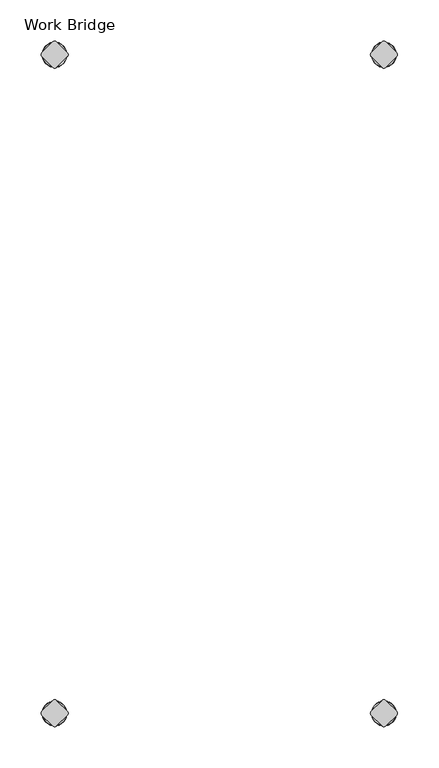
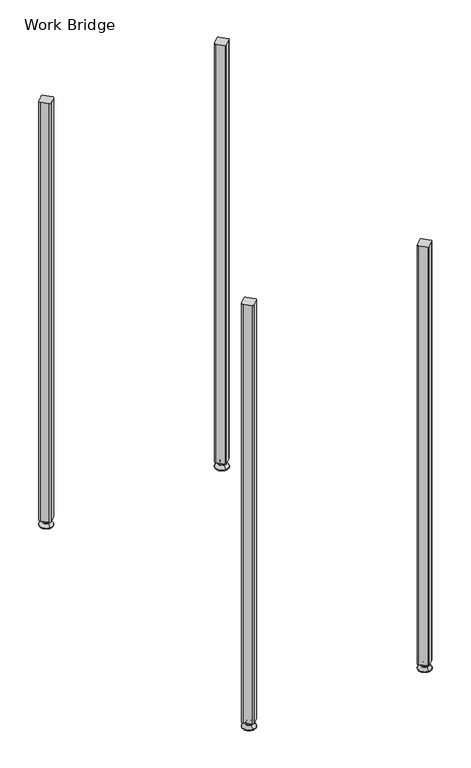
"""IFC4 building model written with IfcOpenShell, lengths in millimetres: furniture geometry, Work Bridge."""

from ifc_helpers import new_model, si_unit, point, frame, frame_2d, origin, place, context, project, spatial, polyline, circle_curve, ellipse_curve, trimmed, segment, composite_curve, outline, extrude, source, transform, mapped, element, save
from ifc_brep_helpers import plane_surface, cylinder_surface, revolved_surface, advanced_brep


def work_bridge_557c7685(model_context):
    return source(origin(), model_context, "Body", "SolidModel", [
        advanced_brep(
        [(421.0099415, -16.955341, 15.9766), (421.0099415, -24.954659, 15.9766), (421.0099415, -20.955, 15.9766), (421.0099415, -16.955341, 12.6000054), (421.0099415, -24.954659, 12.6000054), (421.0099415, -15.0948545, 12.6000054), (421.0099415, -26.8151455, 12.6000054), (421.0099415, -14.4598538, 11.9650074), (421.0099415, -27.4501462, 11.9650074), (421.0099415, -14.4598538, 9.0000124), (421.0099415, -27.4501462, 9.0000124), (421.0099415, -12.2128024, 9.0000124), (421.0099415, -29.6971976, 9.0000124), (421.0099415, -6.2489923, 2.3275608), (421.0099415, -35.6610077, 2.3275608), (421.0099415, -7.290399, 0.0), (421.0099415, -34.619601, 0.0), (421.0099415, -20.955, 0.0)],
        [
            (0, 1, circle_curve(frame((421.0099415, -20.955, 15.9766), z_axis=(0.0, 0.0, 1.0), x_axis=(0.0, -1.0, 0.0)), 3.999659)),
            (1, 2),
            (2, 0),
            (1, 0, circle_curve(frame((421.0099415, -20.955, 15.9766), z_axis=(0.0, 0.0, 1.0), x_axis=(0.0, -1.0, 0.0)), 3.999659)),
            (3, 4, circle_curve(frame((421.0099415, -20.955, 12.6000054), z_axis=(0.0, 0.0, 1.0), x_axis=(0.0, -1.0, 0.0)), 3.999659)),
            (4, 1),
            (0, 3),
            (4, 3, circle_curve(frame((421.0099415, -20.955, 12.6000054), z_axis=(0.0, 0.0, 1.0), x_axis=(0.0, -1.0, 0.0)), 3.999659)),
            (5, 6, circle_curve(frame((421.0099415, -20.955, 12.6000054), z_axis=(0.0, 0.0, 1.0), x_axis=(0.0, -1.0, 0.0)), 5.8601455)),
            (6, 4),
            (3, 5),
            (6, 5, circle_curve(frame((421.0099415, -20.955, 12.6000054), z_axis=(0.0, 0.0, 1.0), x_axis=(0.0, -1.0, 0.0)), 5.8601455)),
            (7, 8, circle_curve(frame((421.0099415, -20.955, 11.9650074), z_axis=(0.0, 0.0, 1.0), x_axis=(0.0, -1.0, 0.0)), 6.4951462)),
            (8, 6, circle_curve(frame((421.0099415, -26.8151462, 11.9650074), z_axis=(-1.0, 0.0, 0.0), x_axis=(0.0, -1.0, 0.0)), 0.635)),
            (5, 7, circle_curve(frame((421.0099415, -15.0948538, 11.9650074), z_axis=(-1.0, 0.0, 0.0), x_axis=(0.0, 1.0, 0.0)), 0.635)),
            (8, 7, circle_curve(frame((421.0099415, -20.955, 11.9650074), z_axis=(0.0, 0.0, 1.0), x_axis=(0.0, -1.0, 0.0)), 6.4951462)),
            (9, 10, circle_curve(frame((421.0099415, -20.955, 9.0000124), z_axis=(0.0, 0.0, 1.0), x_axis=(0.0, -1.0, 0.0)), 6.4951462)),
            (10, 8),
            (7, 9),
            (10, 9, circle_curve(frame((421.0099415, -20.955, 9.0000124), z_axis=(0.0, 0.0, 1.0), x_axis=(0.0, -1.0, 0.0)), 6.4951462)),
            (11, 12, circle_curve(frame((421.0099415, -20.955, 9.0000124), z_axis=(0.0, 0.0, 1.0), x_axis=(0.0, -1.0, 0.0)), 8.7421976)),
            (12, 10),
            (9, 11),
            (12, 11, circle_curve(frame((421.0099415, -20.955, 9.0000124), z_axis=(0.0, 0.0, 1.0), x_axis=(0.0, -1.0, 0.0)), 8.7421976)),
            (13, 14, circle_curve(frame((421.0099415, -20.955, 2.3275608), z_axis=(0.0, 0.0, 1.0), x_axis=(0.0, -1.0, 0.0)), 14.7060077)),
            (14, 12),
            (11, 13),
            (14, 13, circle_curve(frame((421.0099415, -20.955, 2.3275608), z_axis=(0.0, 0.0, 1.0), x_axis=(0.0, -1.0, 0.0)), 14.7060077)),
            (15, 16, circle_curve(frame((421.0099415, -20.955, 0.0), z_axis=(0.0, 0.0, 1.0), x_axis=(0.0, -1.0, 0.0)), 13.664601)),
            (16, 14, circle_curve(frame((421.0099415, -34.619601, 1.3967556), z_axis=(-1.0, 0.0, 0.0), x_axis=(0.0, -1.0, 0.0)), 1.3967556)),
            (13, 15, circle_curve(frame((421.0099415, -7.290399, 1.3967556), z_axis=(-1.0, 0.0, 0.0), x_axis=(0.0, 1.0, 0.0)), 1.3967556)),
            (16, 15, circle_curve(frame((421.0099415, -20.955, 0.0), z_axis=(0.0, 0.0, 1.0), x_axis=(0.0, -1.0, 0.0)), 13.664601)),
            (17, 16),
            (15, 17),
        ],
        [
            plane_surface(frame((421.0099415, -20.955, 15.9766), z_axis=(0.0, 0.0, 1.0), x_axis=(0.0, -1.0, 0.0))),
            cylinder_surface(frame((421.0099415, -20.955, -4.132372), z_axis=(0.0, 0.0, -1.0), x_axis=(0.0, -1.0, 0.0)), 3.999659),
            plane_surface(frame((421.0099415, -20.955, 12.6000054), z_axis=(0.0, 0.0, 1.0), x_axis=(0.0, -1.0, 0.0))),
            revolved_surface(trimmed(ellipse_curve(frame((421.0099415, -26.8151462, 11.9650074), z_axis=(1.0, 0.0, 0.0), x_axis=(0.0, -1.0, 0.0)), 0.635, 0.635), [point((421.0099415, -26.8151455, 12.6000074))], [point((421.0099415, -27.4501462, 11.9650074))], True, "CARTESIAN"), (421.0099415, -20.955, -4.132372), (0.0, 0.0, -1.0)),
            cylinder_surface(frame((421.0099415, -20.955, -4.132372), z_axis=(0.0, 0.0, -1.0), x_axis=(0.0, -1.0, 0.0)), 6.4951462),
            plane_surface(frame((421.0099415, -20.955, 9.0000124), z_axis=(0.0, 0.0, 1.0), x_axis=(0.0, -1.0, 0.0))),
            revolved_surface(polyline([(421.0099415, -29.6971976, 9.0000124), (421.0099415, -35.6610077, 2.3275608)]), (421.0099415, -20.955, -4.132372), (0.0, 0.0, -1.0)),
            revolved_surface(trimmed(ellipse_curve(frame((421.0099415, -34.619601, 1.3967556), z_axis=(1.0, 0.0, 0.0), x_axis=(0.0, -1.0, 0.0)), 1.3967556, 1.3967556), [point((421.0099415, -35.6610077, 2.3275608))], [point((421.0099415, -34.619601, 0.0))], True, "CARTESIAN"), (421.0099415, -20.955, -4.132372), (0.0, 0.0, -1.0)),
            plane_surface(frame((421.0099415, -20.955, 0.0), z_axis=(0.0, 0.0, -1.0), x_axis=(0.0, -1.0, 0.0))),
        ],
        [
            (0, [[1, 2, 3]]),
            (0, [[4, -3, -2]]),
            (1, [[5, 6, -1, 7]]),
            (1, [[8, -7, -4, -6]]),
            (2, [[9, 10, -5, 11]]),
            (2, [[12, -11, -8, -10]]),
            (3, [[13, 14, -9, 15]]),
            (3, [[16, -15, -12, -14]]),
            (4, [[17, 18, -13, 19]]),
            (4, [[20, -19, -16, -18]]),
            (5, [[21, 22, -17, 23]]),
            (5, [[24, -23, -20, -22]]),
            (6, [[25, 26, -21, 27]]),
            (6, [[28, -27, -24, -26]]),
            (7, [[29, 30, -25, 31]]),
            (7, [[32, -31, -28, -30]]),
            (8, [[33, -29, 34]]),
            (8, [[-34, -32, -33]]),
        ],
    ),
        advanced_brep(
        [(421.0099415, -821.055, 15.9766), (421.0099415, -817.055341, 15.9766), (421.0099415, -825.054659, 15.9766), (421.0099415, -817.055341, 12.6000054), (421.0099415, -825.054659, 12.6000054), (421.0099415, -815.1948545, 12.6000074), (421.0099415, -826.9151455, 12.6000074), (421.0099415, -814.5598538, 11.9650074), (421.0099415, -827.5501462, 11.9650074), (421.0099415, -814.5598538, 9.0000124), (421.0099415, -827.5501462, 9.0000124), (421.0099415, -812.3128024, 9.0000124), (421.0099415, -829.7971976, 9.0000124), (421.0099415, -806.3489923, 2.3275608), (421.0099415, -835.7610077, 2.3275608), (421.0099415, -807.390399, 0.0), (421.0099415, -834.719601, 0.0), (421.0099415, -821.055, 0.0)],
        [
            (0, 1),
            (1, 2, circle_curve(frame((421.0099415, -821.055, 15.9766), z_axis=(0.0, 0.0, 1.0), x_axis=(0.0, 1.0, 0.0)), 3.999659)),
            (2, 0),
            (2, 1, circle_curve(frame((421.0099415, -821.055, 15.9766), z_axis=(0.0, 0.0, 1.0), x_axis=(0.0, 1.0, 0.0)), 3.999659)),
            (1, 3),
            (3, 4, circle_curve(frame((421.0099415, -821.055, 12.6000054), z_axis=(0.0, 0.0, 1.0), x_axis=(0.0, 1.0, 0.0)), 3.999659)),
            (4, 2),
            (4, 3, circle_curve(frame((421.0099415, -821.055, 12.6000054), z_axis=(0.0, 0.0, 1.0), x_axis=(0.0, 1.0, 0.0)), 3.999659)),
            (3, 5),
            (5, 6, circle_curve(frame((421.0099415, -821.055, 12.6000074), z_axis=(0.0, 0.0, 1.0), x_axis=(0.0, 1.0, 0.0)), 5.8601455)),
            (6, 4),
            (6, 5, circle_curve(frame((421.0099415, -821.055, 12.6000074), z_axis=(0.0, 0.0, 1.0), x_axis=(0.0, 1.0, 0.0)), 5.8601455)),
            (5, 7, circle_curve(frame((421.0099415, -815.1948538, 11.9650074), z_axis=(-1.0, 0.0, 0.0), x_axis=(0.0, 1.0, 0.0)), 0.635)),
            (7, 8, circle_curve(frame((421.0099415, -821.055, 11.9650074), z_axis=(0.0, 0.0, 1.0), x_axis=(0.0, 1.0, 0.0)), 6.4951462)),
            (8, 6, circle_curve(frame((421.0099415, -826.9151462, 11.9650074), z_axis=(-1.0, 0.0, 0.0), x_axis=(0.0, -1.0, 0.0)), 0.635)),
            (8, 7, circle_curve(frame((421.0099415, -821.055, 11.9650074), z_axis=(0.0, 0.0, 1.0), x_axis=(0.0, 1.0, 0.0)), 6.4951462)),
            (7, 9),
            (9, 10, circle_curve(frame((421.0099415, -821.055, 9.0000124), z_axis=(0.0, 0.0, 1.0), x_axis=(0.0, 1.0, 0.0)), 6.4951462)),
            (10, 8),
            (10, 9, circle_curve(frame((421.0099415, -821.055, 9.0000124), z_axis=(0.0, 0.0, 1.0), x_axis=(0.0, 1.0, 0.0)), 6.4951462)),
            (9, 11),
            (11, 12, circle_curve(frame((421.0099415, -821.055, 9.0000124), z_axis=(0.0, 0.0, 1.0), x_axis=(0.0, 1.0, 0.0)), 8.7421976)),
            (12, 10),
            (12, 11, circle_curve(frame((421.0099415, -821.055, 9.0000124), z_axis=(0.0, 0.0, 1.0), x_axis=(0.0, 1.0, 0.0)), 8.7421976)),
            (11, 13),
            (13, 14, circle_curve(frame((421.0099415, -821.055, 2.3275608), z_axis=(0.0, 0.0, 1.0), x_axis=(0.0, 1.0, 0.0)), 14.7060077)),
            (14, 12),
            (14, 13, circle_curve(frame((421.0099415, -821.055, 2.3275608), z_axis=(0.0, 0.0, 1.0), x_axis=(0.0, 1.0, 0.0)), 14.7060077)),
            (13, 15, circle_curve(frame((421.0099415, -807.390399, 1.3967556), z_axis=(-1.0, 0.0, 0.0), x_axis=(0.0, 1.0, 0.0)), 1.3967556)),
            (15, 16, circle_curve(frame((421.0099415, -821.055, 0.0), z_axis=(0.0, 0.0, 1.0), x_axis=(0.0, 1.0, 0.0)), 13.664601)),
            (16, 14, circle_curve(frame((421.0099415, -834.719601, 1.3967556), z_axis=(-1.0, 0.0, 0.0), x_axis=(0.0, -1.0, 0.0)), 1.3967556)),
            (16, 15, circle_curve(frame((421.0099415, -821.055, 0.0), z_axis=(0.0, 0.0, 1.0), x_axis=(0.0, 1.0, 0.0)), 13.664601)),
            (15, 17),
            (17, 16),
        ],
        [
            plane_surface(frame((421.0099415, -821.055, 15.9766), z_axis=(0.0, 0.0, 1.0), x_axis=(0.0, 1.0, 0.0))),
            cylinder_surface(frame((421.0099415, -821.055, -4.132372), z_axis=(0.0, 0.0, 1.0), x_axis=(0.0, 1.0, 0.0)), 3.999659),
            plane_surface(frame((421.0099415, -821.055, 12.6000074), z_axis=(0.0, 0.0, 1.0), x_axis=(0.0, 1.0, 0.0))),
            revolved_surface(trimmed(ellipse_curve(frame((421.0099415, -815.1948538, 11.9650074), z_axis=(1.0, 0.0, 0.0), x_axis=(0.0, 1.0, 0.0)), 0.635, 0.635), [point((421.0099415, -814.5598538, 11.9650074))], [point((421.0099415, -815.1948545, 12.6000074))], True, "CARTESIAN"), (421.0099415, -821.055, -4.132372), (0.0, 0.0, 1.0)),
            cylinder_surface(frame((421.0099415, -821.055, -4.132372), z_axis=(0.0, 0.0, 1.0), x_axis=(0.0, 1.0, 0.0)), 6.4951462),
            plane_surface(frame((421.0099415, -821.055, 9.0000124), z_axis=(0.0, 0.0, 1.0), x_axis=(0.0, 1.0, 0.0))),
            revolved_surface(polyline([(421.0099415, -806.3489923, 2.3275608), (421.0099415, -812.3128024, 9.0000124)]), (421.0099415, -821.055, -4.132372), (0.0, 0.0, 1.0)),
            revolved_surface(trimmed(ellipse_curve(frame((421.0099415, -807.390399, 1.3967556), z_axis=(1.0, 0.0, 0.0), x_axis=(0.0, 1.0, 0.0)), 1.3967556, 1.3967556), [point((421.0099415, -807.390399, 0.0))], [point((421.0099415, -806.3489923, 2.3275608))], True, "CARTESIAN"), (421.0099415, -821.055, -4.132372), (0.0, 0.0, 1.0)),
            plane_surface(frame((421.0099415, -821.055, 0.0), z_axis=(0.0, 0.0, -1.0), x_axis=(0.0, 1.0, 0.0))),
        ],
        [
            (0, [[1, 2, 3]]),
            (0, [[-3, 4, -1]]),
            (1, [[-2, 5, 6, 7]]),
            (1, [[-4, -7, 8, -5]]),
            (2, [[-6, 9, 10, 11]]),
            (2, [[-8, -11, 12, -9]]),
            (3, [[-10, 13, 14, 15]]),
            (3, [[-12, -15, 16, -13]]),
            (4, [[-14, 17, 18, 19]]),
            (4, [[-16, -19, 20, -17]]),
            (5, [[-18, 21, 22, 23]]),
            (5, [[-20, -23, 24, -21]]),
            (6, [[-22, 25, 26, 27]]),
            (6, [[-24, -27, 28, -25]]),
            (7, [[-26, 29, 30, 31]]),
            (7, [[-28, -31, 32, -29]]),
            (8, [[-30, 33, 34]]),
            (8, [[-32, -34, -33]]),
        ],
    ),
        advanced_brep(
        [(20.9599415, -821.055, 15.9766), (20.9599415, -817.055341, 15.9766), (20.9599415, -825.054659, 15.9766), (20.9599415, -817.055341, 12.6000054), (20.9599415, -825.054659, 12.6000054), (20.9599415, -815.1948545, 12.6000074), (20.9599415, -826.9151455, 12.6000074), (20.9599415, -814.5598538, 11.9650074), (20.9599415, -827.5501462, 11.9650074), (20.9599415, -814.5598538, 9.0000124), (20.9599415, -827.5501462, 9.0000124), (20.9599415, -812.3128024, 9.0000124), (20.9599415, -829.7971976, 9.0000124), (20.9599415, -806.3489923, 2.3275608), (20.9599415, -835.7610077, 2.3275608), (20.9599415, -807.390399, 0.0), (20.9599415, -834.719601, 0.0), (20.9599415, -821.055, 0.0)],
        [
            (0, 1),
            (1, 2, circle_curve(frame((20.9599415, -821.055, 15.9766), z_axis=(0.0, 0.0, 1.0), x_axis=(0.0, 1.0, 0.0)), 3.999659)),
            (2, 0),
            (2, 1, circle_curve(frame((20.9599415, -821.055, 15.9766), z_axis=(0.0, 0.0, 1.0), x_axis=(0.0, 1.0, 0.0)), 3.999659)),
            (1, 3),
            (3, 4, circle_curve(frame((20.9599415, -821.055, 12.6000054), z_axis=(0.0, 0.0, 1.0), x_axis=(0.0, 1.0, 0.0)), 3.999659)),
            (4, 2),
            (4, 3, circle_curve(frame((20.9599415, -821.055, 12.6000054), z_axis=(0.0, 0.0, 1.0), x_axis=(0.0, 1.0, 0.0)), 3.999659)),
            (3, 5),
            (5, 6, circle_curve(frame((20.9599415, -821.055, 12.6000074), z_axis=(0.0, 0.0, 1.0), x_axis=(0.0, 1.0, 0.0)), 5.8601455)),
            (6, 4),
            (6, 5, circle_curve(frame((20.9599415, -821.055, 12.6000074), z_axis=(0.0, 0.0, 1.0), x_axis=(0.0, 1.0, 0.0)), 5.8601455)),
            (5, 7, circle_curve(frame((20.9599415, -815.1948538, 11.9650074), z_axis=(-1.0, 0.0, 0.0), x_axis=(0.0, -1.0, 0.0)), 0.635)),
            (7, 8, circle_curve(frame((20.9599415, -821.055, 11.9650074), z_axis=(0.0, 0.0, 1.0), x_axis=(0.0, 1.0, 0.0)), 6.4951462)),
            (8, 6, circle_curve(frame((20.9599415, -826.9151462, 11.9650074), z_axis=(-1.0, 0.0, 0.0), x_axis=(0.0, 1.0, 0.0)), 0.635)),
            (8, 7, circle_curve(frame((20.9599415, -821.055, 11.9650074), z_axis=(0.0, 0.0, 1.0), x_axis=(0.0, 1.0, 0.0)), 6.4951462)),
            (7, 9),
            (9, 10, circle_curve(frame((20.9599415, -821.055, 9.0000124), z_axis=(0.0, 0.0, 1.0), x_axis=(0.0, 1.0, 0.0)), 6.4951462)),
            (10, 8),
            (10, 9, circle_curve(frame((20.9599415, -821.055, 9.0000124), z_axis=(0.0, 0.0, 1.0), x_axis=(0.0, 1.0, 0.0)), 6.4951462)),
            (9, 11),
            (11, 12, circle_curve(frame((20.9599415, -821.055, 9.0000124), z_axis=(0.0, 0.0, 1.0), x_axis=(0.0, 1.0, 0.0)), 8.7421976)),
            (12, 10),
            (12, 11, circle_curve(frame((20.9599415, -821.055, 9.0000124), z_axis=(0.0, 0.0, 1.0), x_axis=(0.0, 1.0, 0.0)), 8.7421976)),
            (11, 13),
            (13, 14, circle_curve(frame((20.9599415, -821.055, 2.3275608), z_axis=(0.0, 0.0, 1.0), x_axis=(0.0, 1.0, 0.0)), 14.7060077)),
            (14, 12),
            (14, 13, circle_curve(frame((20.9599415, -821.055, 2.3275608), z_axis=(0.0, 0.0, 1.0), x_axis=(0.0, 1.0, 0.0)), 14.7060077)),
            (13, 15, circle_curve(frame((20.9599415, -807.390399, 1.3967556), z_axis=(-1.0, 0.0, 0.0), x_axis=(0.0, -1.0, 0.0)), 1.3967556)),
            (15, 16, circle_curve(frame((20.9599415, -821.055, 0.0), z_axis=(0.0, 0.0, 1.0), x_axis=(0.0, 1.0, 0.0)), 13.664601)),
            (16, 14, circle_curve(frame((20.9599415, -834.719601, 1.3967556), z_axis=(-1.0, 0.0, 0.0), x_axis=(0.0, 1.0, 0.0)), 1.3967556)),
            (16, 15, circle_curve(frame((20.9599415, -821.055, 0.0), z_axis=(0.0, 0.0, 1.0), x_axis=(0.0, 1.0, 0.0)), 13.664601)),
            (15, 17),
            (17, 16),
        ],
        [
            plane_surface(frame((20.9599415, -821.055, 15.9766), z_axis=(0.0, 0.0, 1.0), x_axis=(0.0, 1.0, 0.0))),
            cylinder_surface(frame((20.9599415, -821.055, -4.132372), z_axis=(0.0, 0.0, 1.0), x_axis=(0.0, 1.0, 0.0)), 3.999659),
            plane_surface(frame((20.9599415, -821.055, 12.6000074), z_axis=(0.0, 0.0, 1.0), x_axis=(0.0, 1.0, 0.0))),
            revolved_surface(trimmed(ellipse_curve(frame((20.9599415, -815.1948538, 11.9650074), z_axis=(1.0, 0.0, 0.0), x_axis=(0.0, -1.0, 0.0)), 0.635, 0.635), [point((20.9599415, -814.5598538, 11.9650074))], [point((20.9599415, -815.1948545, 12.6000074))], True, "CARTESIAN"), (20.9599415, -821.055, -4.132372), (0.0, 0.0, 1.0)),
            cylinder_surface(frame((20.9599415, -821.055, -4.132372), z_axis=(0.0, 0.0, 1.0), x_axis=(0.0, 1.0, 0.0)), 6.4951462),
            plane_surface(frame((20.9599415, -821.055, 9.0000124), z_axis=(0.0, 0.0, 1.0), x_axis=(0.0, 1.0, 0.0))),
            revolved_surface(polyline([(20.9599415, -806.3489923, 2.3275608), (20.9599415, -812.3128024, 9.0000124)]), (20.9599415, -821.055, -4.132372), (0.0, 0.0, 1.0)),
            revolved_surface(trimmed(ellipse_curve(frame((20.9599415, -807.390399, 1.3967556), z_axis=(1.0, 0.0, 0.0), x_axis=(0.0, -1.0, 0.0)), 1.3967556, 1.3967556), [point((20.9599415, -807.390399, 0.0))], [point((20.9599415, -806.3489923, 2.3275608))], True, "CARTESIAN"), (20.9599415, -821.055, -4.132372), (0.0, 0.0, 1.0)),
            plane_surface(frame((20.9599415, -821.055, 0.0), z_axis=(0.0, 0.0, -1.0), x_axis=(0.0, 1.0, 0.0))),
        ],
        [
            (0, [[1, 2, 3]]),
            (0, [[-3, 4, -1]]),
            (1, [[-2, 5, 6, 7]]),
            (1, [[-4, -7, 8, -5]]),
            (2, [[-6, 9, 10, 11]]),
            (2, [[-8, -11, 12, -9]]),
            (3, [[-10, 13, 14, 15]]),
            (3, [[-12, -15, 16, -13]]),
            (4, [[-14, 17, 18, 19]]),
            (4, [[-16, -19, 20, -17]]),
            (5, [[-18, 21, 22, 23]]),
            (5, [[-20, -23, 24, -21]]),
            (6, [[-22, 25, 26, 27]]),
            (6, [[-24, -27, 28, -25]]),
            (7, [[-26, 29, 30, 31]]),
            (7, [[-28, -31, 32, -29]]),
            (8, [[-30, 33, 34]]),
            (8, [[-32, -34, -33]]),
        ],
    ),
        advanced_brep(
        [(20.9599415, -16.955341, 15.9766), (20.9599415, -24.954659, 15.9766), (20.9599415, -20.955, 15.9766), (20.9599415, -16.955341, 12.6000054), (20.9599415, -24.954659, 12.6000054), (20.9599415, -15.0948545, 12.6000054), (20.9599415, -26.8151455, 12.6000054), (20.9599415, -14.4598538, 11.9650074), (20.9599415, -27.4501462, 11.9650074), (20.9599415, -14.4598538, 9.0000124), (20.9599415, -27.4501462, 9.0000124), (20.9599415, -12.2128024, 9.0000124), (20.9599415, -29.6971976, 9.0000124), (20.9599415, -6.2489923, 2.3275608), (20.9599415, -35.6610077, 2.3275608), (20.9599415, -7.290399, 0.0), (20.9599415, -34.619601, 0.0), (20.9599415, -20.955, 0.0)],
        [
            (0, 1, circle_curve(frame((20.9599415, -20.955, 15.9766), z_axis=(0.0, 0.0, 1.0), x_axis=(0.0, -1.0, 0.0)), 3.999659)),
            (1, 2),
            (2, 0),
            (1, 0, circle_curve(frame((20.9599415, -20.955, 15.9766), z_axis=(0.0, 0.0, 1.0), x_axis=(0.0, -1.0, 0.0)), 3.999659)),
            (3, 4, circle_curve(frame((20.9599415, -20.955, 12.6000054), z_axis=(0.0, 0.0, 1.0), x_axis=(0.0, -1.0, 0.0)), 3.999659)),
            (4, 1),
            (0, 3),
            (4, 3, circle_curve(frame((20.9599415, -20.955, 12.6000054), z_axis=(0.0, 0.0, 1.0), x_axis=(0.0, -1.0, 0.0)), 3.999659)),
            (5, 6, circle_curve(frame((20.9599415, -20.955, 12.6000054), z_axis=(0.0, 0.0, 1.0), x_axis=(0.0, -1.0, 0.0)), 5.8601455)),
            (6, 4),
            (3, 5),
            (6, 5, circle_curve(frame((20.9599415, -20.955, 12.6000054), z_axis=(0.0, 0.0, 1.0), x_axis=(0.0, -1.0, 0.0)), 5.8601455)),
            (7, 8, circle_curve(frame((20.9599415, -20.955, 11.9650074), z_axis=(0.0, 0.0, 1.0), x_axis=(0.0, -1.0, 0.0)), 6.4951462)),
            (8, 6, circle_curve(frame((20.9599415, -26.8151462, 11.9650074), z_axis=(-1.0, 0.0, 0.0), x_axis=(0.0, 1.0, 0.0)), 0.635)),
            (5, 7, circle_curve(frame((20.9599415, -15.0948538, 11.9650074), z_axis=(-1.0, 0.0, 0.0), x_axis=(0.0, -1.0, 0.0)), 0.635)),
            (8, 7, circle_curve(frame((20.9599415, -20.955, 11.9650074), z_axis=(0.0, 0.0, 1.0), x_axis=(0.0, -1.0, 0.0)), 6.4951462)),
            (9, 10, circle_curve(frame((20.9599415, -20.955, 9.0000124), z_axis=(0.0, 0.0, 1.0), x_axis=(0.0, -1.0, 0.0)), 6.4951462)),
            (10, 8),
            (7, 9),
            (10, 9, circle_curve(frame((20.9599415, -20.955, 9.0000124), z_axis=(0.0, 0.0, 1.0), x_axis=(0.0, -1.0, 0.0)), 6.4951462)),
            (11, 12, circle_curve(frame((20.9599415, -20.955, 9.0000124), z_axis=(0.0, 0.0, 1.0), x_axis=(0.0, -1.0, 0.0)), 8.7421976)),
            (12, 10),
            (9, 11),
            (12, 11, circle_curve(frame((20.9599415, -20.955, 9.0000124), z_axis=(0.0, 0.0, 1.0), x_axis=(0.0, -1.0, 0.0)), 8.7421976)),
            (13, 14, circle_curve(frame((20.9599415, -20.955, 2.3275608), z_axis=(0.0, 0.0, 1.0), x_axis=(0.0, -1.0, 0.0)), 14.7060077)),
            (14, 12),
            (11, 13),
            (14, 13, circle_curve(frame((20.9599415, -20.955, 2.3275608), z_axis=(0.0, 0.0, 1.0), x_axis=(0.0, -1.0, 0.0)), 14.7060077)),
            (15, 16, circle_curve(frame((20.9599415, -20.955, 0.0), z_axis=(0.0, 0.0, 1.0), x_axis=(0.0, -1.0, 0.0)), 13.664601)),
            (16, 14, circle_curve(frame((20.9599415, -34.619601, 1.3967556), z_axis=(-1.0, 0.0, 0.0), x_axis=(0.0, 1.0, 0.0)), 1.3967556)),
            (13, 15, circle_curve(frame((20.9599415, -7.290399, 1.3967556), z_axis=(-1.0, 0.0, 0.0), x_axis=(0.0, -1.0, 0.0)), 1.3967556)),
            (16, 15, circle_curve(frame((20.9599415, -20.955, 0.0), z_axis=(0.0, 0.0, 1.0), x_axis=(0.0, -1.0, 0.0)), 13.664601)),
            (17, 16),
            (15, 17),
        ],
        [
            plane_surface(frame((20.9599415, -20.955, 15.9766), z_axis=(0.0, 0.0, 1.0), x_axis=(0.0, -1.0, 0.0))),
            cylinder_surface(frame((20.9599415, -20.955, -4.132372), z_axis=(0.0, 0.0, -1.0), x_axis=(0.0, -1.0, 0.0)), 3.999659),
            plane_surface(frame((20.9599415, -20.955, 12.6000054), z_axis=(0.0, 0.0, 1.0), x_axis=(0.0, -1.0, 0.0))),
            revolved_surface(trimmed(ellipse_curve(frame((20.9599415, -26.8151462, 11.9650074), z_axis=(1.0, 0.0, 0.0), x_axis=(0.0, 1.0, 0.0)), 0.635, 0.635), [point((20.9599415, -26.8151455, 12.6000074))], [point((20.9599415, -27.4501462, 11.9650074))], True, "CARTESIAN"), (20.9599415, -20.955, -4.132372), (0.0, 0.0, -1.0)),
            cylinder_surface(frame((20.9599415, -20.955, -4.132372), z_axis=(0.0, 0.0, -1.0), x_axis=(0.0, -1.0, 0.0)), 6.4951462),
            plane_surface(frame((20.9599415, -20.955, 9.0000124), z_axis=(0.0, 0.0, 1.0), x_axis=(0.0, -1.0, 0.0))),
            revolved_surface(polyline([(20.9599415, -29.6971976, 9.0000124), (20.9599415, -35.6610077, 2.3275608)]), (20.9599415, -20.955, -4.132372), (0.0, 0.0, -1.0)),
            revolved_surface(trimmed(ellipse_curve(frame((20.9599415, -34.619601, 1.3967556), z_axis=(1.0, 0.0, 0.0), x_axis=(0.0, 1.0, 0.0)), 1.3967556, 1.3967556), [point((20.9599415, -35.6610077, 2.3275608))], [point((20.9599415, -34.619601, 0.0))], True, "CARTESIAN"), (20.9599415, -20.955, -4.132372), (0.0, 0.0, -1.0)),
            plane_surface(frame((20.9599415, -20.955, 0.0), z_axis=(0.0, 0.0, -1.0), x_axis=(0.0, -1.0, 0.0))),
        ],
        [
            (0, [[1, 2, 3]]),
            (0, [[4, -3, -2]]),
            (1, [[5, 6, -1, 7]]),
            (1, [[8, -7, -4, -6]]),
            (2, [[9, 10, -5, 11]]),
            (2, [[12, -11, -8, -10]]),
            (3, [[13, 14, -9, 15]]),
            (3, [[16, -15, -12, -14]]),
            (4, [[17, 18, -13, 19]]),
            (4, [[20, -19, -16, -18]]),
            (5, [[21, 22, -17, 23]]),
            (5, [[24, -23, -20, -22]]),
            (6, [[25, 26, -21, 27]]),
            (6, [[28, -27, -24, -26]]),
            (7, [[29, 30, -25, 31]]),
            (7, [[32, -31, -28, -30]]),
            (8, [[33, -29, 34]]),
            (8, [[-34, -32, -33]]),
        ],
    ),
        extrude(outline(composite_curve([segment(polyline([(18.7148774, -36.3876055), (5.527336, -23.200064)]), True, "CONTINUOUS"), segment(trimmed(circle_curve(frame_2d((7.7724, -20.955)), 3.175), [point((5.527336, -23.200064))], [point((5.527336, -18.709936))], False, "CARTESIAN"), True, "CONTINUOUS"), segment(polyline([(5.527336, -18.709936), (18.7148774, -5.5223945)]), True, "CONTINUOUS"), segment(trimmed(circle_curve(frame_2d((20.9599415, -7.7674585)), 3.175), [point((18.7148774, -5.5223945))], [point((23.2050055, -5.5223945))], False, "CARTESIAN"), True, "CONTINUOUS"), segment(polyline([(23.2050055, -5.5223945), (36.392547, -18.709936)]), True, "CONTINUOUS"), segment(trimmed(circle_curve(frame_2d((34.1474829, -20.955)), 3.175), [point((36.392547, -18.709936))], [point((36.392547, -23.200064))], False, "CARTESIAN"), True, "CONTINUOUS"), segment(polyline([(36.392547, -23.200064), (23.2050055, -36.3876055)]), True, "CONTINUOUS"), segment(trimmed(circle_curve(frame_2d((20.9599415, -34.1425415)), 3.175), [point((23.2050055, -36.3876055))], [point((18.7148774, -36.3876055))], False, "CARTESIAN"), True, "CONTINUOUS")], self_intersect=False)), frame((0.0, 0.0, 15.9766), z_axis=(0.0, 0.0, 1.0), x_axis=(1.0, 0.0, 0.0)), (0.0, 0.0, 1.0), 1006.983),
        extrude(outline(composite_curve([segment(trimmed(circle_curve(frame_2d((421.0099415, -34.1425415)), 3.175), [point((423.2550055, -36.3876055))], [point((418.7648774, -36.3876055))], False, "CARTESIAN"), True, "CONTINUOUS"), segment(polyline([(418.7648774, -36.3876055), (405.577336, -23.200064)]), True, "CONTINUOUS"), segment(trimmed(circle_curve(frame_2d((407.8224, -20.955)), 3.175), [point((405.577336, -23.200064))], [point((405.577336, -18.709936))], False, "CARTESIAN"), True, "CONTINUOUS"), segment(polyline([(405.577336, -18.709936), (418.7648774, -5.5223945)]), True, "CONTINUOUS"), segment(trimmed(circle_curve(frame_2d((421.0099415, -7.7674585)), 3.175), [point((418.7648774, -5.5223945))], [point((423.2550055, -5.5223945))], False, "CARTESIAN"), True, "CONTINUOUS"), segment(polyline([(423.2550055, -5.5223945), (436.442547, -18.709936)]), True, "CONTINUOUS"), segment(trimmed(circle_curve(frame_2d((434.1974829, -20.955)), 3.175), [point((436.442547, -18.709936))], [point((436.442547, -23.200064))], False, "CARTESIAN"), True, "CONTINUOUS"), segment(polyline([(436.442547, -23.200064), (423.2550055, -36.3876055)]), True, "CONTINUOUS")], self_intersect=False)), frame((0.0, 0.0, 15.9766), z_axis=(0.0, 0.0, 1.0), x_axis=(1.0, 0.0, 0.0)), (0.0, 0.0, 1.0), 1006.983),
        extrude(outline(composite_curve([segment(polyline([(423.2550055, -805.6223945), (436.442547, -818.809936)]), True, "CONTINUOUS"), segment(trimmed(circle_curve(frame_2d((434.1974829, -821.055)), 3.175), [point((436.442547, -818.809936))], [point((436.442547, -823.300064))], False, "CARTESIAN"), True, "CONTINUOUS"), segment(polyline([(436.442547, -823.300064), (423.2550055, -836.4876055)]), True, "CONTINUOUS"), segment(trimmed(circle_curve(frame_2d((421.0099415, -834.2425415)), 3.175), [point((423.2550055, -836.4876055))], [point((418.7648774, -836.4876055))], False, "CARTESIAN"), True, "CONTINUOUS"), segment(polyline([(418.7648774, -836.4876055), (405.577336, -823.300064)]), True, "CONTINUOUS"), segment(trimmed(circle_curve(frame_2d((407.8224, -821.055)), 3.175), [point((405.577336, -823.300064))], [point((405.577336, -818.809936))], False, "CARTESIAN"), True, "CONTINUOUS"), segment(polyline([(405.577336, -818.809936), (418.7648774, -805.6223945)]), True, "CONTINUOUS"), segment(trimmed(circle_curve(frame_2d((421.0099415, -807.8674585)), 3.175), [point((418.7648774, -805.6223945))], [point((423.2550055, -805.6223945))], False, "CARTESIAN"), True, "CONTINUOUS")], self_intersect=False)), frame((0.0, 0.0, 15.9766), z_axis=(0.0, 0.0, 1.0), x_axis=(1.0, 0.0, 0.0)), (0.0, 0.0, 1.0), 1006.983),
        extrude(outline(composite_curve([segment(trimmed(circle_curve(frame_2d((20.9599415, -807.8674585)), 3.175), [point((18.7148774, -805.6223945))], [point((23.2050055, -805.6223945))], False, "CARTESIAN"), True, "CONTINUOUS"), segment(polyline([(23.2050055, -805.6223945), (36.392547, -818.809936)]), True, "CONTINUOUS"), segment(trimmed(circle_curve(frame_2d((34.1474829, -821.055)), 3.175), [point((36.392547, -818.809936))], [point((36.392547, -823.300064))], False, "CARTESIAN"), True, "CONTINUOUS"), segment(polyline([(36.392547, -823.300064), (23.2050055, -836.4876055)]), True, "CONTINUOUS"), segment(trimmed(circle_curve(frame_2d((20.9599415, -834.2425415)), 3.175), [point((23.2050055, -836.4876055))], [point((18.7148774, -836.4876055))], False, "CARTESIAN"), True, "CONTINUOUS"), segment(polyline([(18.7148774, -836.4876055), (5.527336, -823.300064)]), True, "CONTINUOUS"), segment(trimmed(circle_curve(frame_2d((7.7724, -821.055)), 3.175), [point((5.527336, -823.300064))], [point((5.527336, -818.809936))], False, "CARTESIAN"), True, "CONTINUOUS"), segment(polyline([(5.527336, -818.809936), (18.7148774, -805.6223945)]), True, "CONTINUOUS")], self_intersect=False)), frame((0.0, 0.0, 15.9766), z_axis=(0.0, 0.0, 1.0), x_axis=(1.0, 0.0, 0.0)), (0.0, 0.0, 1.0), 1006.983),
    ])


if __name__ == "__main__":
    model = new_model("IFC4")
    model_context = context("Model", 3, world=origin())
    ifc_project = project(units=[si_unit("LENGTHUNIT", "METRE", prefix="MILLI")], contexts=[model_context])
    site = spatial("IfcSite", under=ifc_project)
    building = spatial("IfcBuilding", under=site)
    placement = place(None, origin())
    work_bridge_shape = work_bridge_557c7685(model_context)
    element("IfcFurniture", 1, ObjectType="Work Bridge", at=placement, inside=building, context=model_context, shape_type="MappedRepresentation", body=[
        mapped(work_bridge_shape, transform((0.0, 0.0, 0.0), x_axis=(1.0, 0.0, 0.0), y_axis=(0.0, 1.0, 0.0), z_axis=(0.0, 0.0, 1.0))),
    ])
    save(model, "model.ifc")
